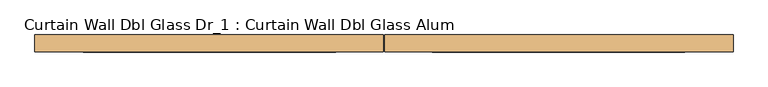
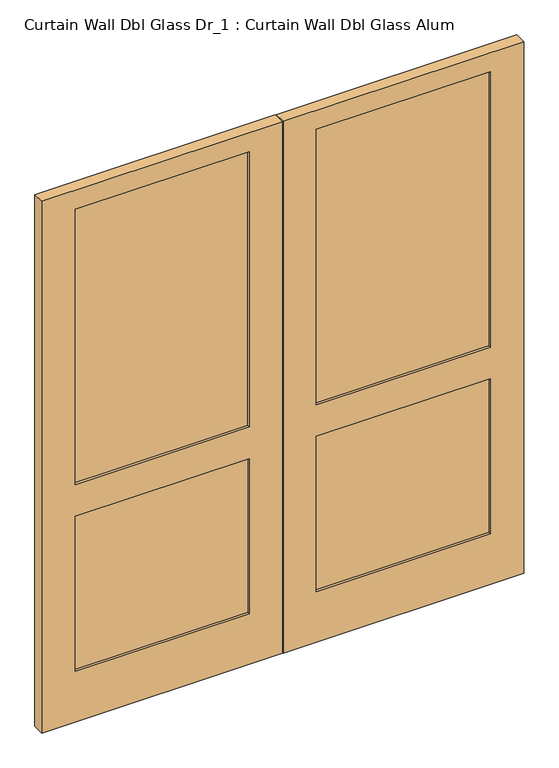
"""IFC4 building model written with IfcOpenShell, lengths in millimetres: door geometry, Curtain Wall Dbl Glass Dr_1 : Curtain Wall Dbl Glass Alum."""

from ifc_helpers import new_model, si_unit, frame, origin, place, context, project, spatial, polyline, outline, extrude, source, transform, mapped, element, save


def curtain_wall_dbl_glass_dr_1_curtain_wall_dbl_glass_alum_7bf179ce(model_context):
    return source(origin(), model_context, "Body", "SweptSolid", [
        extrude(outline(polyline([(787.4, 19.05), (787.4, -6.35), (127.0, -6.35), (127.0, 19.05), (787.4, 19.05)])), frame((0.0, 0.0, 952.5), z_axis=(0.0, 0.0, 1.0), x_axis=(1.0, 0.0, 0.0)), (0.0, 0.0, 1.0), 1104.9),
        extrude(outline(polyline([(787.4, 19.05), (787.4, -6.35), (127.0, -6.35), (127.0, 19.05), (787.4, 19.05)])), frame((0.0, 0.0, 203.2), z_axis=(0.0, 0.0, 1.0), x_axis=(1.0, 0.0, 0.0)), (0.0, 0.0, 1.0), 622.3),
        extrude(outline(polyline([(-127.0, 19.05), (-127.0, -6.35), (-787.4, -6.35), (-787.4, 19.05), (-127.0, 19.05)])), frame((0.0, 0.0, 203.2), z_axis=(0.0, 0.0, 1.0), x_axis=(1.0, 0.0, 0.0)), (0.0, 0.0, 1.0), 622.3),
        extrude(outline(polyline([(2133.6, 1.5875), (0.0, 1.5875), (0.0, 914.4), (2133.6, 914.4), (2133.6, 1.5875)]), holes=[polyline([(2057.4, 127.0), (2057.4, 787.4), (952.5, 787.4), (952.5, 127.0), (2057.4, 127.0)]), polyline([(825.5, 127.0), (825.5, 787.4), (203.2, 787.4), (203.2, 127.0), (825.5, 127.0)])]), frame((0.0, -15.875, 0.0), z_axis=(0.0, 1.0, 0.0), x_axis=(0.0, 0.0, 1.0)), (0.0, 0.0, 1.0), 44.45),
        extrude(outline(polyline([(2133.6, -1.5875), (2133.6, -914.4), (0.0, -914.4), (0.0, -1.5875), (2133.6, -1.5875)]), holes=[polyline([(2057.4, -787.4), (2057.4, -127.0), (952.5, -127.0), (952.5, -787.4), (2057.4, -787.4)]), polyline([(825.5, -787.4), (825.5, -127.0), (203.2, -127.0), (203.2, -787.4), (825.5, -787.4)])]), frame((0.0, -15.875, 0.0), z_axis=(0.0, 1.0, 0.0), x_axis=(0.0, 0.0, 1.0)), (0.0, 0.0, 1.0), 44.45),
        extrude(outline(polyline([(-127.0, 19.05), (-127.0, -6.35), (-787.4, -6.35), (-787.4, 19.05), (-127.0, 19.05)])), frame((0.0, 0.0, 952.5), z_axis=(0.0, 0.0, 1.0), x_axis=(1.0, 0.0, 0.0)), (0.0, 0.0, 1.0), 1104.9),
    ])


if __name__ == "__main__":
    model = new_model("IFC4")
    model_context = context("Model", 3, world=origin())
    ifc_project = project(units=[si_unit("LENGTHUNIT", "METRE", prefix="MILLI")], contexts=[model_context])
    site = spatial("IfcSite", under=ifc_project)
    building = spatial("IfcBuilding", under=site)
    placement = place(None, origin())
    curtain_wall_dbl_glass_dr_1_curtain_wall_dbl_glass_alum_shape = curtain_wall_dbl_glass_dr_1_curtain_wall_dbl_glass_alum_7bf179ce(model_context)
    element("IfcDoor", 1, ObjectType="Curtain Wall Dbl Glass Dr_1 : Curtain Wall Dbl Glass Alum", at=placement, inside=building, context=model_context, shape_type="MappedRepresentation", body=[
        mapped(curtain_wall_dbl_glass_dr_1_curtain_wall_dbl_glass_alum_shape, transform((0.0, 0.0, 0.0), x_axis=(1.0, 0.0, 0.0), y_axis=(0.0, 1.0, 0.0), z_axis=(0.0, 0.0, 1.0))),
    ])
    save(model, "model.ifc")
